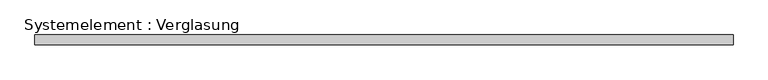
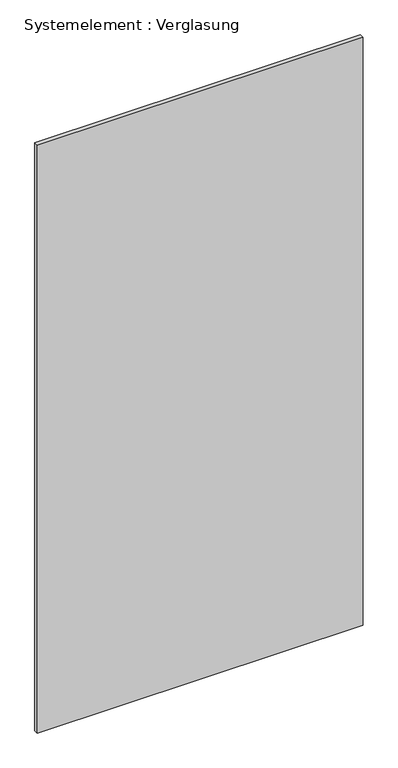
"""IFC4 building model written with IfcOpenShell, lengths in millimetres: plate geometry, Systemelement : Verglasung."""

from ifc_helpers import new_model, si_unit, origin, origin_with_axes, place, context, project, spatial, polyline, outline, extrude, source, transform, mapped, element, save


def systemelement_verglasung_5936072a(model_context):
    return source(origin(), model_context, "Body", "SweptSolid", [
        extrude(outline(polyline([(1091.1213028, -15.0), (-1091.1213028, -15.0), (-1091.1213028, 15.0), (1091.1213028, 15.0), (1091.1213028, -15.0)])), origin_with_axes(), (0.0, 0.0, 1.0), 4160.0),
    ])


if __name__ == "__main__":
    model = new_model("IFC4")
    model_context = context("Model", 3, world=origin())
    ifc_project = project(units=[si_unit("LENGTHUNIT", "METRE", prefix="MILLI")], contexts=[model_context])
    site = spatial("IfcSite", under=ifc_project)
    building = spatial("IfcBuilding", under=site)
    placement = place(None, origin())
    systemelement_verglasung_shape = systemelement_verglasung_5936072a(model_context)
    element("IfcPlate", 1, ObjectType="Systemelement : Verglasung", at=placement, inside=building, context=model_context, shape_type="MappedRepresentation", body=[
        mapped(systemelement_verglasung_shape, transform((0.0, 0.0, 0.0), x_axis=(1.0, 0.0, 0.0), y_axis=(0.0, 1.0, 0.0), z_axis=(0.0, 0.0, 1.0))),
    ])
    save(model, "model.ifc")
